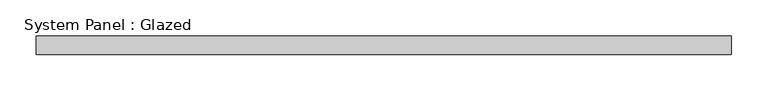
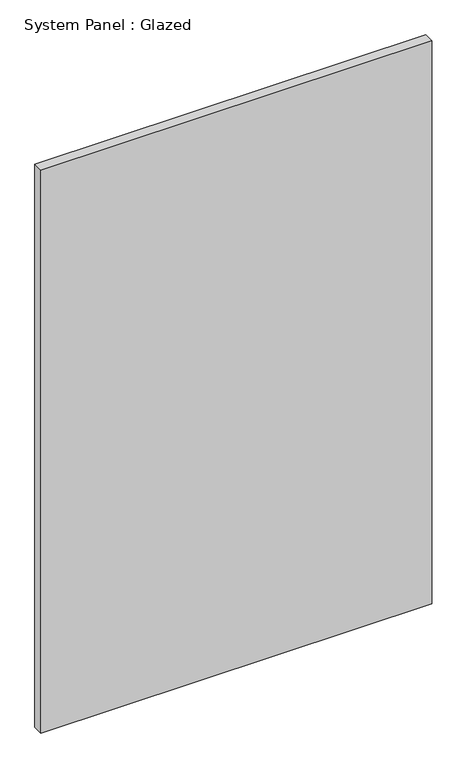
"""IFC4 building model written with IfcOpenShell, lengths in millimetres: plate geometry, System Panel : Glazed."""

import ifcopenshell
import ifcopenshell.guid

model = None  # the IFC model being written
_history = None  # IfcOwnerHistory: only IFC2X3 demands one
_inside = {}  # id of a spatial element -> (the spatial element, [elements in it])
_under = {}  # id of a project, library or spatial element -> (it, [spatial elements below it])
_declared = {}  # id of a project -> (the project, [libraries it declares])
_typed = {}  # id of a type object -> (the type object, [elements of that type])
_made_of = {}  # id of a material, layer set ... -> (it, [elements and type objects made of it])


def new_model(schema):
    """Start an empty IFC model of exactly this schema.

    Asked for "IFC4X3", IfcOpenShell would pick the latest addendum, in which some entities
    have other attributes; the version numbers below select the first issue.
    IFC2X3 requires an IfcOwnerHistory on every rooted entity: one is made here for all.
    """
    global model, _history
    if schema == "IFC4X3":
        model = ifcopenshell.file(schema_version=(4, 3, 0, 0))
    else:
        model = ifcopenshell.file(schema=schema)
    _inside.clear()
    _under.clear()
    _declared.clear()
    _typed.clear()
    _made_of.clear()
    _history = None
    if model.schema == "IFC2X3":
        org = make("IfcOrganization", Name="unknown")
        user = make(
            "IfcPersonAndOrganization",
            ThePerson=make("IfcPerson", FamilyName="unknown"),
            TheOrganization=org,
        )
        app = make(
            "IfcApplication",
            ApplicationDeveloper=org,
            Version="unknown",
            ApplicationFullName="unknown",
            ApplicationIdentifier="unknown",
        )
        _history = make(
            "IfcOwnerHistory",
            OwningUser=user,
            OwningApplication=app,
            ChangeAction="ADDED",
            CreationDate=0,
        )
    return model


def make(cls, **values):
    """One entity of the class cls with the attributes given. An attribute that is None is left unset."""
    return model.create_entity(
        cls, **{name: value for name, value in values.items() if value is not None}
    )


def rooted(cls, **values):
    """An entity with a GlobalId (a new one), such as an element, a storey or a relation."""
    return make(cls, GlobalId=ifcopenshell.guid.new(), OwnerHistory=_history, **values)


def si_unit(unit_type, name, prefix=None):
    """IfcSIUnit, for example si_unit("LENGTHUNIT", "METRE", prefix="MILLI")."""
    return make("IfcSIUnit", UnitType=unit_type, Prefix=prefix, Name=name)


def assignment(units):
    """IfcUnitAssignment: the units of a project."""
    return None if units is None else make("IfcUnitAssignment", Units=units)


def point(xyz):
    """IfcCartesianPoint."""
    return None if xyz is None else make("IfcCartesianPoint", Coordinates=xyz)


def direction(xyz):
    """IfcDirection."""
    return None if xyz is None else make("IfcDirection", DirectionRatios=xyz)


def frame(location, z_axis=None, x_axis=None):
    """IfcAxis2Placement3D, a coordinate frame: its origin and axes. An axis left out is left unset."""
    return make(
        "IfcAxis2Placement3D",
        Location=point(location),
        Axis=direction(z_axis),
        RefDirection=direction(x_axis),
    )


def origin():
    """The frame at (0, 0, 0) with its axes left unset."""
    return frame((0.0, 0.0, 0.0))


def origin_with_axes():
    """The frame at (0, 0, 0) with the z axis (0, 0, 1) and the x axis (1, 0, 0) written out."""
    return frame((0.0, 0.0, 0.0), z_axis=(0.0, 0.0, 1.0), x_axis=(1.0, 0.0, 0.0))


def place(relative_to, where):
    """IfcLocalPlacement: puts the frame where relative to a parent placement (None: the world)."""
    return make(
        "IfcLocalPlacement", PlacementRelTo=relative_to, RelativePlacement=where
    )


def context(
    kind, dimensions, precision=None, world=None, true_north=None, identifier=None
):
    """IfcGeometricRepresentationContext, for example the 3D "Model" context."""
    return make(
        "IfcGeometricRepresentationContext",
        ContextIdentifier=identifier,
        ContextType=kind,
        CoordinateSpaceDimension=dimensions,
        Precision=precision,
        WorldCoordinateSystem=world,
        TrueNorth=true_north,
    )


def project(units=None, contexts=None):
    """IfcProject with its units and contexts."""
    return rooted(
        "IfcProject",
        Name="project",
        RepresentationContexts=contexts,
        UnitsInContext=assignment(units),
    )


def spatial(cls, under=None, at=None, **own):
    """A site, building, storey or space (cls), placed at a placement, below another one or the project."""
    s = rooted(cls, ObjectPlacement=at, **own)
    if under is not None:
        _under.setdefault(under.id(), (under, []))[1].append(s)
    return s


def polyline(points):
    """IfcPolyline through the points."""
    return make("IfcPolyline", Points=[point(p) for p in points])


def outline(outer, holes=None, kind="AREA"):
    """IfcArbitraryClosedProfileDef: a profile drawn as a closed curve; with holes, ...WithVoids."""
    if holes is None:
        return make("IfcArbitraryClosedProfileDef", ProfileType=kind, OuterCurve=outer)
    return make(
        "IfcArbitraryProfileDefWithVoids",
        ProfileType=kind,
        OuterCurve=outer,
        InnerCurves=holes,
    )


def extrude(swept, where, along, depth):
    """IfcExtrudedAreaSolid: the profile swept, set in the frame where, extruded along a direction by depth."""
    return make(
        "IfcExtrudedAreaSolid",
        SweptArea=swept,
        Position=where,
        ExtrudedDirection=direction(along),
        Depth=depth,
    )


def shape(context_of_items, identifier, shape_type, items):
    """IfcShapeRepresentation: the items that make up one representation, for example the "Body"."""
    return make(
        "IfcShapeRepresentation",
        ContextOfItems=context_of_items,
        RepresentationIdentifier=identifier,
        RepresentationType=shape_type,
        Items=items,
    )


def source(mapping_origin, context_of_items, identifier, shape_type, items):
    """IfcRepresentationMap: a shape defined once, which mapped items show again and again."""
    return make(
        "IfcRepresentationMap",
        MappingOrigin=mapping_origin,
        MappedRepresentation=shape(context_of_items, identifier, shape_type, items),
    )


def transform(
    local_origin,
    x_axis=None,
    y_axis=None,
    z_axis=None,
    scale=None,
    scale2=None,
    scale3=None,
    uniform=True,
):
    """IfcCartesianTransformationOperator3D, or its non-uniform kind. x_axis, y_axis, z_axis: its Axis1, 2, 3."""
    if uniform:
        return make(
            "IfcCartesianTransformationOperator3D",
            Axis1=direction(x_axis),
            Axis2=direction(y_axis),
            LocalOrigin=point(local_origin),
            Scale=scale,
            Axis3=direction(z_axis),
        )
    return make(
        "IfcCartesianTransformationOperator3DnonUniform",
        Axis1=direction(x_axis),
        Axis2=direction(y_axis),
        LocalOrigin=point(local_origin),
        Scale=scale,
        Axis3=direction(z_axis),
        Scale2=scale2,
        Scale3=scale3,
    )


def mapped(mapping_source, mapping_target):
    """IfcMappedItem: shows the shape of a source again, moved by a transform."""
    return make(
        "IfcMappedItem", MappingSource=mapping_source, MappingTarget=mapping_target
    )


def made_of(thing, what):
    """Note that an element or type object is made of a material, layer set ...; save() writes the relation."""
    if what is not None:
        _made_of.setdefault(what.id(), (what, []))[1].append(thing)
    return thing


def element(
    cls,
    number,
    at=None,
    inside=None,
    cuts=None,
    type_object=None,
    material=None,
    context=None,
    identifier="Body",
    shape_type=None,
    held_by="IfcProductDefinitionShape",
    body=None,
    shapes=None,
    **own,
):
    """One element of the class cls, such as IfcWall. Its Tag is "e" and its number.

    at: its placement. inside: the storey or other place that contains it. cuts: it is an
    opening in that element (IfcRelVoidsElement). A single representation is given by context,
    identifier, shape_type and body (its items); several are given by shapes. held_by: the class
    of the entity that holds the representations. save() writes the other relations.
    """
    e = rooted(cls, Tag="e%d" % number, ObjectPlacement=at, **own)
    if body is not None:
        shapes = [shape(context, identifier, shape_type, body)]
    if shapes is not None:
        e.Representation = make(held_by, Representations=shapes)
    if inside is not None:
        _inside.setdefault(inside.id(), (inside, []))[1].append(e)
    if cuts is not None:
        rooted(
            "IfcRelVoidsElement", RelatingBuildingElement=cuts, RelatedOpeningElement=e
        )
    if type_object is not None:
        _typed.setdefault(type_object.id(), (type_object, []))[1].append(e)
    return made_of(e, material)


def aggregate(whole, parts):
    """IfcRelAggregates: a whole, such as a stair, and the parts it consists of."""
    return rooted("IfcRelAggregates", RelatingObject=whole, RelatedObjects=parts)


def save(model, path):
    """Write the relations noted so far, then the file.

    IfcRelAggregates (storeys below a building ...), IfcRelContainedInSpatialStructure (elements
    in a storey), IfcRelDefinesByType, IfcRelAssociatesMaterial and IfcRelDeclares: one each for
    every whole, place, type object, material and project.
    """
    for whole, parts in _under.values():
        aggregate(whole, parts)
    for where, things in _inside.values():
        rooted(
            "IfcRelContainedInSpatialStructure",
            RelatedElements=things,
            RelatingStructure=where,
        )
    for kind, things in _typed.values():
        rooted("IfcRelDefinesByType", RelatedObjects=things, RelatingType=kind)
    for what, things in _made_of.values():
        rooted("IfcRelAssociatesMaterial", RelatedObjects=things, RelatingMaterial=what)
    for by, libraries in _declared.values():
        rooted("IfcRelDeclares", RelatingContext=by, RelatedDefinitions=libraries)
    model.write(path)


def system_panel_glazed_7cdf0c18(model_context):
    return source(origin(), model_context, "Body", "SweptSolid", [
        extrude(outline(polyline([(477.8375, -12.7), (-477.8375, -12.7), (-477.8375, 12.7), (477.8375, 12.7), (477.8375, -12.7)])), origin_with_axes(), (0.0, 0.0, 1.0), 1454.15),
    ])


if __name__ == "__main__":
    model = new_model("IFC4")
    model_context = context("Model", 3, world=origin())
    ifc_project = project(units=[si_unit("LENGTHUNIT", "METRE", prefix="MILLI")], contexts=[model_context])
    site = spatial("IfcSite", under=ifc_project)
    building = spatial("IfcBuilding", under=site)
    placement = place(None, origin())
    system_panel_glazed_shape = system_panel_glazed_7cdf0c18(model_context)
    element("IfcPlate", 1, ObjectType="System Panel : Glazed", at=placement, inside=building, context=model_context, shape_type="MappedRepresentation", body=[
        mapped(system_panel_glazed_shape, transform((0.0, 0.0, 0.0), x_axis=(1.0, 0.0, 0.0), y_axis=(0.0, 1.0, 0.0), z_axis=(0.0, 0.0, 1.0))),
    ])
    save(model, "model.ifc")
